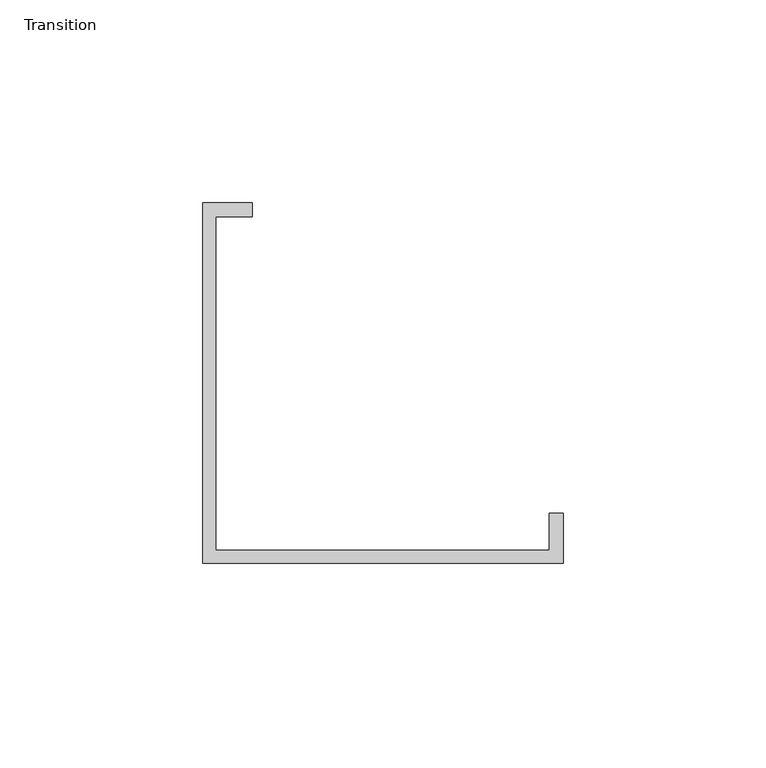
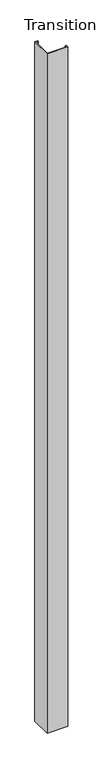
"""IFC4 building model written with IfcOpenShell, lengths in millimetres: furniture geometry, Transition."""

from ifc_helpers import new_model, si_unit, origin, origin_with_axes, place, context, project, spatial, polyline, outline, extrude, source, transform, mapped, element, save


def transition_49b97c9a(model_context):
    return source(origin(), model_context, "Body", "SweptSolid", [
        extrude(outline(polyline([(-14.4728469, 59.951805), (-2.2185857, 59.951805), (-2.2185857, 56.5189876), (-11.2978469, 56.5189876), (-11.2978469, -25.773195), (70.9943357, -25.773195), (70.9943357, -16.6939338), (74.4271531, -16.6939338), (74.4271531, -28.948195), (-14.4728469, -28.948195), (-14.4728469, 59.951805)])), origin_with_axes(), (0.0, 0.0, 1.0), 3048.0),
    ])


if __name__ == "__main__":
    model = new_model("IFC4")
    model_context = context("Model", 3, world=origin())
    ifc_project = project(units=[si_unit("LENGTHUNIT", "METRE", prefix="MILLI")], contexts=[model_context])
    site = spatial("IfcSite", under=ifc_project)
    building = spatial("IfcBuilding", under=site)
    placement = place(None, origin())
    transition_shape = transition_49b97c9a(model_context)
    element("IfcFurniture", 1, ObjectType="Transition", at=placement, inside=building, context=model_context, shape_type="MappedRepresentation", body=[
        mapped(transition_shape, transform((0.0, 0.0, 0.0), x_axis=(1.0, 0.0, 0.0), y_axis=(0.0, 1.0, 0.0), z_axis=(0.0, 0.0, 1.0))),
    ])
    save(model, "model.ifc")
